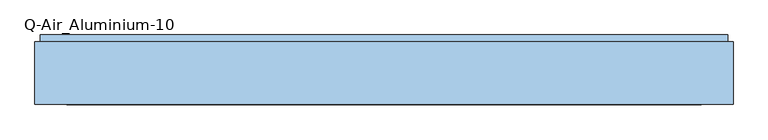
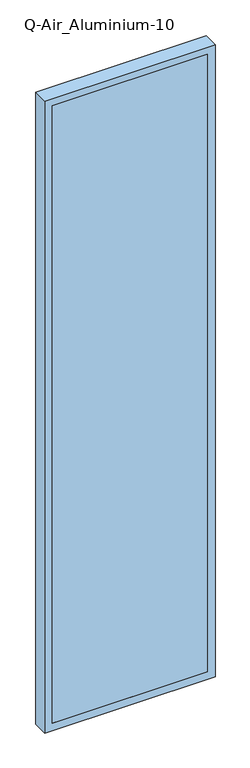
"""IFC4 building model written with IfcOpenShell, lengths in millimetres: window geometry, Q-Air_Aluminium-10."""

from ifc_helpers import new_model, si_unit, frame, origin, place, context, project, spatial, polyline, outline, extrude, source, transform, mapped, element, save


def q_air_aluminium_10_f7f0ef50(model_context):
    return source(origin(), model_context, "Body", "SweptSolid", [
        extrude(outline(polyline([(5020.0, 640.0), (5020.0, -640.0), (0.0, -640.0), (0.0, 640.0), (5020.0, 640.0)]), holes=[polyline([(4962.0, 582.0), (58.0, 582.0), (58.0, -582.0), (4962.0, -582.0), (4962.0, 582.0)])]), frame((0.0, 0.0, 0.0), z_axis=(0.0, 1.0, 0.0), x_axis=(0.0, 0.0, 1.0)), (0.0, 0.0, 1.0), 114.5),
        extrude(outline(polyline([(582.0, 0.0), (-582.0, 0.0), (-582.0, 12.5), (582.0, 12.5), (582.0, 0.0)])), frame((0.0, 0.0, 58.0), z_axis=(0.0, 0.0, 1.0), x_axis=(1.0, 0.0, 0.0)), (0.0, 0.0, 1.0), 4904.0),
        extrude(outline(polyline([(630.0, 114.5), (-630.0, 114.5), (-630.0, 127.0), (630.0, 127.0), (630.0, 114.5)])), frame((0.0, 0.0, 10.0), z_axis=(0.0, 0.0, 1.0), x_axis=(1.0, 0.0, 0.0)), (0.0, 0.0, 1.0), 5000.0),
        extrude(outline(polyline([(5010.0, 630.0), (5010.0, -630.0), (10.0, -630.0), (10.0, 630.0), (5010.0, 630.0)]), holes=[polyline([(4962.0, 582.0), (58.0, 582.0), (58.0, -582.0), (4962.0, -582.0), (4962.0, 582.0)])]), frame((0.0, 114.5, 0.0), z_axis=(0.0, 1.0, 0.0), x_axis=(0.0, 0.0, 1.0)), (0.0, 0.0, 1.0), 4.0),
    ])


if __name__ == "__main__":
    model = new_model("IFC4")
    model_context = context("Model", 3, world=origin())
    ifc_project = project(units=[si_unit("LENGTHUNIT", "METRE", prefix="MILLI")], contexts=[model_context])
    site = spatial("IfcSite", under=ifc_project)
    building = spatial("IfcBuilding", under=site)
    placement = place(None, origin())
    q_air_aluminium_10_shape = q_air_aluminium_10_f7f0ef50(model_context)
    element("IfcWindow", 1, ObjectType="Q-Air_Aluminium-10", at=placement, inside=building, context=model_context, shape_type="MappedRepresentation", body=[
        mapped(q_air_aluminium_10_shape, transform((0.0, 0.0, 0.0), x_axis=(1.0, 0.0, 0.0), y_axis=(0.0, 1.0, 0.0), z_axis=(0.0, 0.0, 1.0))),
    ])
    save(model, "model.ifc")
